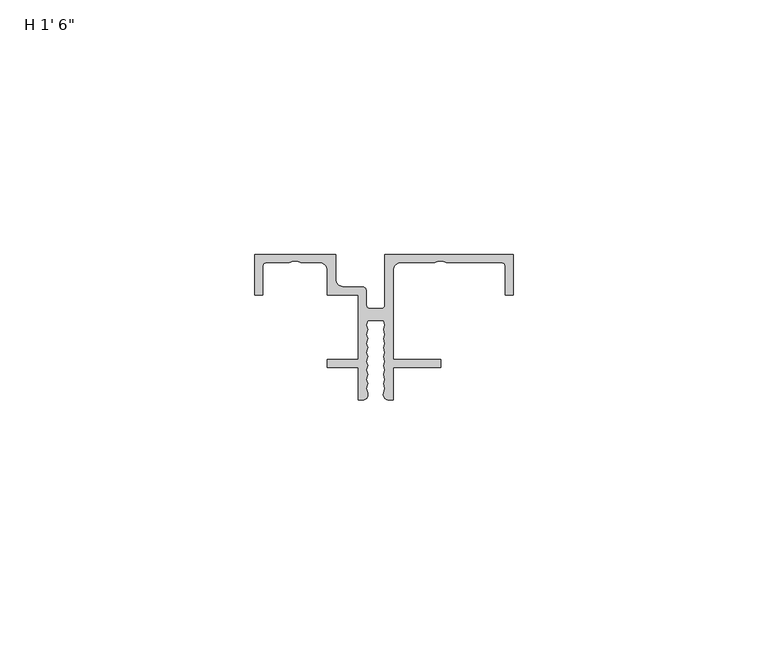
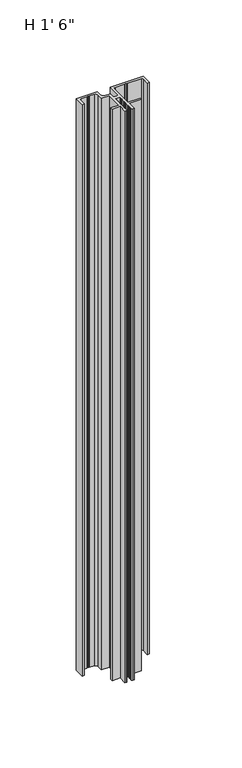
"""IFC4 building model written with IfcOpenShell, lengths in millimetres: proxy geometry."""

from ifc_helpers import new_model, si_unit, point, frame_2d, origin, origin_with_axes, place, context, project, spatial, polyline, circle_curve, trimmed, segment, composite_curve, outline, extrude, source, transform, mapped, element, save


def proxy_72d18219(model_context):
    return source(origin(), model_context, "Body", "SweptSolid", [
        extrude(outline(composite_curve([segment(trimmed(circle_curve(frame_2d((28.7587527, -3.175)), 1.5875), [point((28.7587527, -1.5875))], [point((27.1712527, -3.175))], True, "CARTESIAN"), True, "CONTINUOUS"), segment(polyline([(27.1712527, -3.175), (27.1712527, -20.6375), (36.4871, -20.6375), (36.4871, -22.225), (27.1712527, -22.225), (27.1712527, -28.575), (26.2898657, -28.575)]), True, "CONTINUOUS"), segment(trimmed(circle_curve(frame_2d((26.2898657, -27.5329197)), 1.0420803), [point((26.2898657, -28.575))], [point((25.2932628, -27.2284303))], False, "CARTESIAN"), True, "CONTINUOUS"), segment(polyline([(25.2932628, -27.2284303), (25.5791017, -26.2928712), (25.3251017, -25.3449302), (25.5791017, -24.5135808), (25.3251017, -23.5656399), (25.5791017, -22.7342904), (25.3251017, -21.7863495), (25.5699508, -20.984951), (25.3251017, -20.0711615), (25.5791017, -19.2398121), (25.3251017, -18.2918712), (25.5791017, -17.4605217), (25.3251017, -16.5125808), (25.5791017, -15.6812313), (25.3251017, -14.7332904), (25.5791017, -13.9019409), (25.3251017, -12.954), (22.150102, -12.954), (21.896102, -13.9019409), (22.150102, -14.7332904), (21.896102, -15.6812313), (22.150102, -16.5125808), (21.896102, -17.4605217), (22.150102, -18.2918712), (21.896102, -19.2398121), (22.150102, -20.0711615), (21.9052528, -20.984951), (22.150102, -21.7863495), (21.896102, -22.7342904), (22.150102, -23.5656399), (21.896102, -24.5135808), (22.150102, -25.3449302), (21.896102, -26.2928712), (22.1819409, -27.2284303)]), True, "CONTINUOUS"), segment(trimmed(circle_curve(frame_2d((21.1853379, -27.5329197)), 1.0420803), [point((22.1819409, -27.2284303))], [point((21.1853379, -28.575))], False, "CARTESIAN"), True, "CONTINUOUS"), segment(polyline([(21.1853379, -28.575), (20.308602, -28.575), (20.308602, -22.225), (14.2875, -22.225), (14.2875, -20.6375), (20.308602, -20.6375), (20.308602, -7.9375), (14.2875, -7.9375), (14.2875, -3.175)]), True, "CONTINUOUS"), segment(trimmed(circle_curve(frame_2d((12.7, -3.175)), 1.5875), [point((14.2875, -3.175))], [point((12.7, -1.5875))], True, "CARTESIAN"), True, "CONTINUOUS"), segment(polyline([(12.7, -1.5875), (9.0609692, -1.5875), (8.3477541, -1.2699562), (7.5272459, -1.2699562), (6.8140308, -1.5875), (2.38252, -1.5875)]), True, "CONTINUOUS"), segment(trimmed(circle_curve(frame_2d((2.38252, -2.38252)), 0.79502), [point((2.38252, -1.5875))], [point((1.5875, -2.38252))], True, "CARTESIAN"), True, "CONTINUOUS"), segment(polyline([(1.5875, -2.38252), (1.5875, -7.9375), (0.0, -7.9375), (0.0, 0.0), (15.875, 0.0), (15.875, -4.7625)]), True, "CONTINUOUS"), segment(trimmed(circle_curve(frame_2d((17.4625, -4.7625)), 1.5875), [point((15.875, -4.7625))], [point((17.4625, -6.35))], True, "CARTESIAN"), True, "CONTINUOUS"), segment(polyline([(17.4625, -6.35), (21.101082, -6.35)]), True, "CONTINUOUS"), segment(trimmed(circle_curve(frame_2d((21.101082, -7.14502)), 0.79502), [point((21.101082, -6.35))], [point((21.896102, -7.14502))], False, "CARTESIAN"), True, "CONTINUOUS"), segment(polyline([(21.896102, -7.14502), (21.896102, -9.8669571)]), True, "CONTINUOUS"), segment(trimmed(circle_curve(frame_2d((22.691122, -9.8669571)), 0.79502), [point((21.896102, -9.8669571))], [point((22.691122, -10.6619771))], True, "CARTESIAN"), True, "CONTINUOUS"), segment(polyline([(22.691122, -10.6619771), (24.7840817, -10.6619771)]), True, "CONTINUOUS"), segment(trimmed(circle_curve(frame_2d((24.7840817, -9.8669571)), 0.79502), [point((24.7840817, -10.6619771))], [point((25.5791017, -9.8669571))], True, "CARTESIAN"), True, "CONTINUOUS"), segment(polyline([(25.5791017, -9.8669571), (25.5791017, 0.0), (50.7746, 0.0), (50.7746, -7.9375), (49.1871, -7.9375), (49.1871, -2.38252)]), True, "CONTINUOUS"), segment(trimmed(circle_curve(frame_2d((48.39208, -2.38252)), 0.79502), [point((49.1871, -2.38252))], [point((48.39208, -1.5875))], True, "CARTESIAN"), True, "CONTINUOUS"), segment(polyline([(48.39208, -1.5875), (37.6105692, -1.5875), (36.8973541, -1.2699562), (36.0768459, -1.2699562), (35.3636308, -1.5875), (28.7587527, -1.5875)]), True, "CONTINUOUS")], self_intersect=False)), origin_with_axes(), (0.0, 0.0, 1.0), 457.2),
    ])


if __name__ == "__main__":
    model = new_model("IFC4")
    model_context = context("Model", 3, world=origin())
    ifc_project = project(units=[si_unit("LENGTHUNIT", "METRE", prefix="MILLI")], contexts=[model_context])
    site = spatial("IfcSite", under=ifc_project)
    building = spatial("IfcBuilding", under=site)
    placement = place(None, origin())
    proxy_shape = proxy_72d18219(model_context)
    element("IfcBuildingElementProxy", 1, Name="H 1' 6\"", ObjectType="H 1' 6\"", at=placement, inside=building, context=model_context, shape_type="MappedRepresentation", body=[
        mapped(proxy_shape, transform((0.0, 0.0, 0.0), x_axis=(1.0, 0.0, 0.0), y_axis=(0.0, 1.0, 0.0), z_axis=(0.0, 0.0, 1.0))),
    ])
    save(model, "model.ifc")
